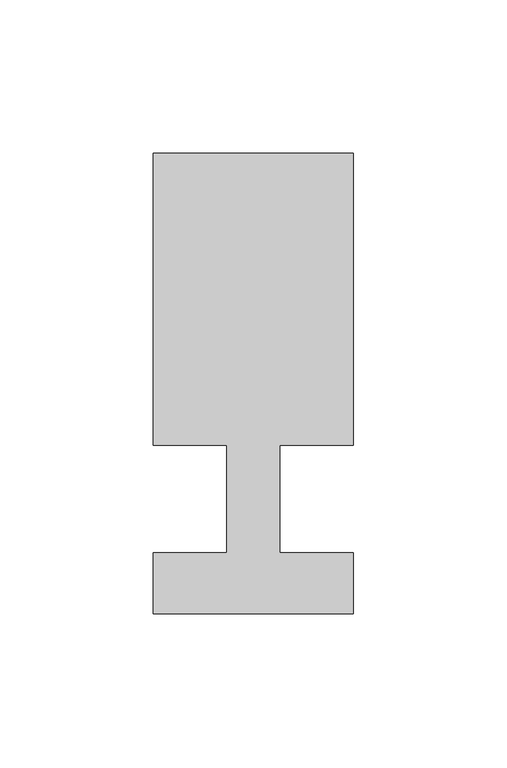
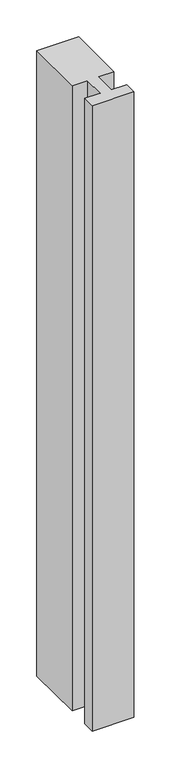
"""IFC4 building model written with IfcOpenShell, lengths in millimetres: member geometry."""

import ifcopenshell
import ifcopenshell.guid

model = None  # the IFC model being written
_history = None  # IfcOwnerHistory: only IFC2X3 demands one
_inside = {}  # id of a spatial element -> (the spatial element, [elements in it])
_under = {}  # id of a project, library or spatial element -> (it, [spatial elements below it])
_declared = {}  # id of a project -> (the project, [libraries it declares])
_typed = {}  # id of a type object -> (the type object, [elements of that type])
_made_of = {}  # id of a material, layer set ... -> (it, [elements and type objects made of it])


def new_model(schema):
    """Start an empty IFC model of exactly this schema.

    Asked for "IFC4X3", IfcOpenShell would pick the latest addendum, in which some entities
    have other attributes; the version numbers below select the first issue.
    IFC2X3 requires an IfcOwnerHistory on every rooted entity: one is made here for all.
    """
    global model, _history
    if schema == "IFC4X3":
        model = ifcopenshell.file(schema_version=(4, 3, 0, 0))
    else:
        model = ifcopenshell.file(schema=schema)
    _inside.clear()
    _under.clear()
    _declared.clear()
    _typed.clear()
    _made_of.clear()
    _history = None
    if model.schema == "IFC2X3":
        org = make("IfcOrganization", Name="unknown")
        user = make(
            "IfcPersonAndOrganization",
            ThePerson=make("IfcPerson", FamilyName="unknown"),
            TheOrganization=org,
        )
        app = make(
            "IfcApplication",
            ApplicationDeveloper=org,
            Version="unknown",
            ApplicationFullName="unknown",
            ApplicationIdentifier="unknown",
        )
        _history = make(
            "IfcOwnerHistory",
            OwningUser=user,
            OwningApplication=app,
            ChangeAction="ADDED",
            CreationDate=0,
        )
    return model


def make(cls, **values):
    """One entity of the class cls with the attributes given. An attribute that is None is left unset."""
    return model.create_entity(
        cls, **{name: value for name, value in values.items() if value is not None}
    )


def rooted(cls, **values):
    """An entity with a GlobalId (a new one), such as an element, a storey or a relation."""
    return make(cls, GlobalId=ifcopenshell.guid.new(), OwnerHistory=_history, **values)


def si_unit(unit_type, name, prefix=None):
    """IfcSIUnit, for example si_unit("LENGTHUNIT", "METRE", prefix="MILLI")."""
    return make("IfcSIUnit", UnitType=unit_type, Prefix=prefix, Name=name)


def assignment(units):
    """IfcUnitAssignment: the units of a project."""
    return None if units is None else make("IfcUnitAssignment", Units=units)


def point(xyz):
    """IfcCartesianPoint."""
    return None if xyz is None else make("IfcCartesianPoint", Coordinates=xyz)


def direction(xyz):
    """IfcDirection."""
    return None if xyz is None else make("IfcDirection", DirectionRatios=xyz)


def frame(location, z_axis=None, x_axis=None):
    """IfcAxis2Placement3D, a coordinate frame: its origin and axes. An axis left out is left unset."""
    return make(
        "IfcAxis2Placement3D",
        Location=point(location),
        Axis=direction(z_axis),
        RefDirection=direction(x_axis),
    )


def origin():
    """The frame at (0, 0, 0) with its axes left unset."""
    return frame((0.0, 0.0, 0.0))


def place(relative_to, where):
    """IfcLocalPlacement: puts the frame where relative to a parent placement (None: the world)."""
    return make(
        "IfcLocalPlacement", PlacementRelTo=relative_to, RelativePlacement=where
    )


def context(
    kind, dimensions, precision=None, world=None, true_north=None, identifier=None
):
    """IfcGeometricRepresentationContext, for example the 3D "Model" context."""
    return make(
        "IfcGeometricRepresentationContext",
        ContextIdentifier=identifier,
        ContextType=kind,
        CoordinateSpaceDimension=dimensions,
        Precision=precision,
        WorldCoordinateSystem=world,
        TrueNorth=true_north,
    )


def project(units=None, contexts=None):
    """IfcProject with its units and contexts."""
    return rooted(
        "IfcProject",
        Name="project",
        RepresentationContexts=contexts,
        UnitsInContext=assignment(units),
    )


def spatial(cls, under=None, at=None, **own):
    """A site, building, storey or space (cls), placed at a placement, below another one or the project."""
    s = rooted(cls, ObjectPlacement=at, **own)
    if under is not None:
        _under.setdefault(under.id(), (under, []))[1].append(s)
    return s


def polyline(points):
    """IfcPolyline through the points."""
    return make("IfcPolyline", Points=[point(p) for p in points])


def outline(outer, holes=None, kind="AREA"):
    """IfcArbitraryClosedProfileDef: a profile drawn as a closed curve; with holes, ...WithVoids."""
    if holes is None:
        return make("IfcArbitraryClosedProfileDef", ProfileType=kind, OuterCurve=outer)
    return make(
        "IfcArbitraryProfileDefWithVoids",
        ProfileType=kind,
        OuterCurve=outer,
        InnerCurves=holes,
    )


def extrude(swept, where, along, depth):
    """IfcExtrudedAreaSolid: the profile swept, set in the frame where, extruded along a direction by depth."""
    return make(
        "IfcExtrudedAreaSolid",
        SweptArea=swept,
        Position=where,
        ExtrudedDirection=direction(along),
        Depth=depth,
    )


def shape(context_of_items, identifier, shape_type, items):
    """IfcShapeRepresentation: the items that make up one representation, for example the "Body"."""
    return make(
        "IfcShapeRepresentation",
        ContextOfItems=context_of_items,
        RepresentationIdentifier=identifier,
        RepresentationType=shape_type,
        Items=items,
    )


def source(mapping_origin, context_of_items, identifier, shape_type, items):
    """IfcRepresentationMap: a shape defined once, which mapped items show again and again."""
    return make(
        "IfcRepresentationMap",
        MappingOrigin=mapping_origin,
        MappedRepresentation=shape(context_of_items, identifier, shape_type, items),
    )


def transform(
    local_origin,
    x_axis=None,
    y_axis=None,
    z_axis=None,
    scale=None,
    scale2=None,
    scale3=None,
    uniform=True,
):
    """IfcCartesianTransformationOperator3D, or its non-uniform kind. x_axis, y_axis, z_axis: its Axis1, 2, 3."""
    if uniform:
        return make(
            "IfcCartesianTransformationOperator3D",
            Axis1=direction(x_axis),
            Axis2=direction(y_axis),
            LocalOrigin=point(local_origin),
            Scale=scale,
            Axis3=direction(z_axis),
        )
    return make(
        "IfcCartesianTransformationOperator3DnonUniform",
        Axis1=direction(x_axis),
        Axis2=direction(y_axis),
        LocalOrigin=point(local_origin),
        Scale=scale,
        Axis3=direction(z_axis),
        Scale2=scale2,
        Scale3=scale3,
    )


def mapped(mapping_source, mapping_target):
    """IfcMappedItem: shows the shape of a source again, moved by a transform."""
    return make(
        "IfcMappedItem", MappingSource=mapping_source, MappingTarget=mapping_target
    )


def made_of(thing, what):
    """Note that an element or type object is made of a material, layer set ...; save() writes the relation."""
    if what is not None:
        _made_of.setdefault(what.id(), (what, []))[1].append(thing)
    return thing


def element(
    cls,
    number,
    at=None,
    inside=None,
    cuts=None,
    type_object=None,
    material=None,
    context=None,
    identifier="Body",
    shape_type=None,
    held_by="IfcProductDefinitionShape",
    body=None,
    shapes=None,
    **own,
):
    """One element of the class cls, such as IfcWall. Its Tag is "e" and its number.

    at: its placement. inside: the storey or other place that contains it. cuts: it is an
    opening in that element (IfcRelVoidsElement). A single representation is given by context,
    identifier, shape_type and body (its items); several are given by shapes. held_by: the class
    of the entity that holds the representations. save() writes the other relations.
    """
    e = rooted(cls, Tag="e%d" % number, ObjectPlacement=at, **own)
    if body is not None:
        shapes = [shape(context, identifier, shape_type, body)]
    if shapes is not None:
        e.Representation = make(held_by, Representations=shapes)
    if inside is not None:
        _inside.setdefault(inside.id(), (inside, []))[1].append(e)
    if cuts is not None:
        rooted(
            "IfcRelVoidsElement", RelatingBuildingElement=cuts, RelatedOpeningElement=e
        )
    if type_object is not None:
        _typed.setdefault(type_object.id(), (type_object, []))[1].append(e)
    return made_of(e, material)


def aggregate(whole, parts):
    """IfcRelAggregates: a whole, such as a stair, and the parts it consists of."""
    return rooted("IfcRelAggregates", RelatingObject=whole, RelatedObjects=parts)


def save(model, path):
    """Write the relations noted so far, then the file.

    IfcRelAggregates (storeys below a building ...), IfcRelContainedInSpatialStructure (elements
    in a storey), IfcRelDefinesByType, IfcRelAssociatesMaterial and IfcRelDeclares: one each for
    every whole, place, type object, material and project.
    """
    for whole, parts in _under.values():
        aggregate(whole, parts)
    for where, things in _inside.values():
        rooted(
            "IfcRelContainedInSpatialStructure",
            RelatedElements=things,
            RelatingStructure=where,
        )
    for kind, things in _typed.values():
        rooted("IfcRelDefinesByType", RelatedObjects=things, RelatingType=kind)
    for what, things in _made_of.values():
        rooted("IfcRelAssociatesMaterial", RelatedObjects=things, RelatingMaterial=what)
    for by, libraries in _declared.values():
        rooted("IfcRelDeclares", RelatingContext=by, RelatedDefinitions=libraries)
    model.write(path)


def member_55ac9159(model_context):
    return source(origin(), model_context, "Body", "SweptSolid", [
        extrude(outline(polyline([(0.0, -37.0), (-65.0, -37.0), (-65.0, -17.0), (-41.1875, -17.0), (-41.1875, 18.0), (-65.0, 18.0), (-65.0, 113.0), (0.0, 113.0), (0.0, 18.0), (-23.8125, 18.0), (-23.8125, -17.0), (0.0, -17.0), (0.0, -37.0)])), frame((0.0, 0.0, -1033.3839286), z_axis=(0.0, 0.0, 1.0), x_axis=(1.0, 0.0, 0.0)), (0.0, 0.0, 1.0), 1033.3839286),
    ])


if __name__ == "__main__":
    model = new_model("IFC4")
    model_context = context("Model", 3, world=origin())
    ifc_project = project(units=[si_unit("LENGTHUNIT", "METRE", prefix="MILLI")], contexts=[model_context])
    site = spatial("IfcSite", under=ifc_project)
    building = spatial("IfcBuilding", under=site)
    placement = place(None, origin())
    member_shape = member_55ac9159(model_context)
    element("IfcMember", 1, at=placement, inside=building, context=model_context, shape_type="MappedRepresentation", body=[
        mapped(member_shape, transform((0.0, 0.0, 0.0), x_axis=(1.0, 0.0, 0.0), y_axis=(0.0, 1.0, 0.0), z_axis=(0.0, 0.0, 1.0))),
    ])
    save(model, "model.ifc")
